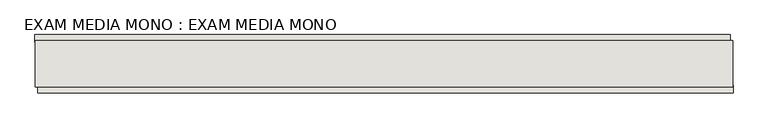
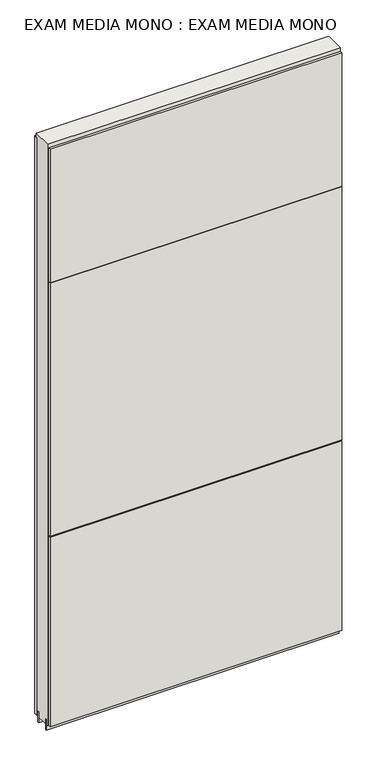
"""IFC4 building model written with IfcOpenShell, lengths in millimetres: wall geometry, EXAM MEDIA MONO : EXAM MEDIA MONO."""

import ifcopenshell
import ifcopenshell.guid

model = None  # the IFC model being written
_history = None  # IfcOwnerHistory: only IFC2X3 demands one
_inside = {}  # id of a spatial element -> (the spatial element, [elements in it])
_under = {}  # id of a project, library or spatial element -> (it, [spatial elements below it])
_declared = {}  # id of a project -> (the project, [libraries it declares])
_typed = {}  # id of a type object -> (the type object, [elements of that type])
_made_of = {}  # id of a material, layer set ... -> (it, [elements and type objects made of it])


def new_model(schema):
    """Start an empty IFC model of exactly this schema.

    Asked for "IFC4X3", IfcOpenShell would pick the latest addendum, in which some entities
    have other attributes; the version numbers below select the first issue.
    IFC2X3 requires an IfcOwnerHistory on every rooted entity: one is made here for all.
    """
    global model, _history
    if schema == "IFC4X3":
        model = ifcopenshell.file(schema_version=(4, 3, 0, 0))
    else:
        model = ifcopenshell.file(schema=schema)
    _inside.clear()
    _under.clear()
    _declared.clear()
    _typed.clear()
    _made_of.clear()
    _history = None
    if model.schema == "IFC2X3":
        org = make("IfcOrganization", Name="unknown")
        user = make(
            "IfcPersonAndOrganization",
            ThePerson=make("IfcPerson", FamilyName="unknown"),
            TheOrganization=org,
        )
        app = make(
            "IfcApplication",
            ApplicationDeveloper=org,
            Version="unknown",
            ApplicationFullName="unknown",
            ApplicationIdentifier="unknown",
        )
        _history = make(
            "IfcOwnerHistory",
            OwningUser=user,
            OwningApplication=app,
            ChangeAction="ADDED",
            CreationDate=0,
        )
    return model


def make(cls, **values):
    """One entity of the class cls with the attributes given. An attribute that is None is left unset."""
    return model.create_entity(
        cls, **{name: value for name, value in values.items() if value is not None}
    )


def rooted(cls, **values):
    """An entity with a GlobalId (a new one), such as an element, a storey or a relation."""
    return make(cls, GlobalId=ifcopenshell.guid.new(), OwnerHistory=_history, **values)


def si_unit(unit_type, name, prefix=None):
    """IfcSIUnit, for example si_unit("LENGTHUNIT", "METRE", prefix="MILLI")."""
    return make("IfcSIUnit", UnitType=unit_type, Prefix=prefix, Name=name)


def assignment(units):
    """IfcUnitAssignment: the units of a project."""
    return None if units is None else make("IfcUnitAssignment", Units=units)


def point(xyz):
    """IfcCartesianPoint."""
    return None if xyz is None else make("IfcCartesianPoint", Coordinates=xyz)


def direction(xyz):
    """IfcDirection."""
    return None if xyz is None else make("IfcDirection", DirectionRatios=xyz)


def frame(location, z_axis=None, x_axis=None):
    """IfcAxis2Placement3D, a coordinate frame: its origin and axes. An axis left out is left unset."""
    return make(
        "IfcAxis2Placement3D",
        Location=point(location),
        Axis=direction(z_axis),
        RefDirection=direction(x_axis),
    )


def origin():
    """The frame at (0, 0, 0) with its axes left unset."""
    return frame((0.0, 0.0, 0.0))


def place(relative_to, where):
    """IfcLocalPlacement: puts the frame where relative to a parent placement (None: the world)."""
    return make(
        "IfcLocalPlacement", PlacementRelTo=relative_to, RelativePlacement=where
    )


def context(
    kind, dimensions, precision=None, world=None, true_north=None, identifier=None
):
    """IfcGeometricRepresentationContext, for example the 3D "Model" context."""
    return make(
        "IfcGeometricRepresentationContext",
        ContextIdentifier=identifier,
        ContextType=kind,
        CoordinateSpaceDimension=dimensions,
        Precision=precision,
        WorldCoordinateSystem=world,
        TrueNorth=true_north,
    )


def project(units=None, contexts=None):
    """IfcProject with its units and contexts."""
    return rooted(
        "IfcProject",
        Name="project",
        RepresentationContexts=contexts,
        UnitsInContext=assignment(units),
    )


def spatial(cls, under=None, at=None, **own):
    """A site, building, storey or space (cls), placed at a placement, below another one or the project."""
    s = rooted(cls, ObjectPlacement=at, **own)
    if under is not None:
        _under.setdefault(under.id(), (under, []))[1].append(s)
    return s


def polyline(points):
    """IfcPolyline through the points."""
    return make("IfcPolyline", Points=[point(p) for p in points])


def outline(outer, holes=None, kind="AREA"):
    """IfcArbitraryClosedProfileDef: a profile drawn as a closed curve; with holes, ...WithVoids."""
    if holes is None:
        return make("IfcArbitraryClosedProfileDef", ProfileType=kind, OuterCurve=outer)
    return make(
        "IfcArbitraryProfileDefWithVoids",
        ProfileType=kind,
        OuterCurve=outer,
        InnerCurves=holes,
    )


def extrude(swept, where, along, depth):
    """IfcExtrudedAreaSolid: the profile swept, set in the frame where, extruded along a direction by depth."""
    return make(
        "IfcExtrudedAreaSolid",
        SweptArea=swept,
        Position=where,
        ExtrudedDirection=direction(along),
        Depth=depth,
    )


def shape(context_of_items, identifier, shape_type, items):
    """IfcShapeRepresentation: the items that make up one representation, for example the "Body"."""
    return make(
        "IfcShapeRepresentation",
        ContextOfItems=context_of_items,
        RepresentationIdentifier=identifier,
        RepresentationType=shape_type,
        Items=items,
    )


def source(mapping_origin, context_of_items, identifier, shape_type, items):
    """IfcRepresentationMap: a shape defined once, which mapped items show again and again."""
    return make(
        "IfcRepresentationMap",
        MappingOrigin=mapping_origin,
        MappedRepresentation=shape(context_of_items, identifier, shape_type, items),
    )


def transform(
    local_origin,
    x_axis=None,
    y_axis=None,
    z_axis=None,
    scale=None,
    scale2=None,
    scale3=None,
    uniform=True,
):
    """IfcCartesianTransformationOperator3D, or its non-uniform kind. x_axis, y_axis, z_axis: its Axis1, 2, 3."""
    if uniform:
        return make(
            "IfcCartesianTransformationOperator3D",
            Axis1=direction(x_axis),
            Axis2=direction(y_axis),
            LocalOrigin=point(local_origin),
            Scale=scale,
            Axis3=direction(z_axis),
        )
    return make(
        "IfcCartesianTransformationOperator3DnonUniform",
        Axis1=direction(x_axis),
        Axis2=direction(y_axis),
        LocalOrigin=point(local_origin),
        Scale=scale,
        Axis3=direction(z_axis),
        Scale2=scale2,
        Scale3=scale3,
    )


def mapped(mapping_source, mapping_target):
    """IfcMappedItem: shows the shape of a source again, moved by a transform."""
    return make(
        "IfcMappedItem", MappingSource=mapping_source, MappingTarget=mapping_target
    )


def made_of(thing, what):
    """Note that an element or type object is made of a material, layer set ...; save() writes the relation."""
    if what is not None:
        _made_of.setdefault(what.id(), (what, []))[1].append(thing)
    return thing


def element(
    cls,
    number,
    at=None,
    inside=None,
    cuts=None,
    type_object=None,
    material=None,
    context=None,
    identifier="Body",
    shape_type=None,
    held_by="IfcProductDefinitionShape",
    body=None,
    shapes=None,
    **own,
):
    """One element of the class cls, such as IfcWall. Its Tag is "e" and its number.

    at: its placement. inside: the storey or other place that contains it. cuts: it is an
    opening in that element (IfcRelVoidsElement). A single representation is given by context,
    identifier, shape_type and body (its items); several are given by shapes. held_by: the class
    of the entity that holds the representations. save() writes the other relations.
    """
    e = rooted(cls, Tag="e%d" % number, ObjectPlacement=at, **own)
    if body is not None:
        shapes = [shape(context, identifier, shape_type, body)]
    if shapes is not None:
        e.Representation = make(held_by, Representations=shapes)
    if inside is not None:
        _inside.setdefault(inside.id(), (inside, []))[1].append(e)
    if cuts is not None:
        rooted(
            "IfcRelVoidsElement", RelatingBuildingElement=cuts, RelatedOpeningElement=e
        )
    if type_object is not None:
        _typed.setdefault(type_object.id(), (type_object, []))[1].append(e)
    return made_of(e, material)


def aggregate(whole, parts):
    """IfcRelAggregates: a whole, such as a stair, and the parts it consists of."""
    return rooted("IfcRelAggregates", RelatingObject=whole, RelatedObjects=parts)


def save(model, path):
    """Write the relations noted so far, then the file.

    IfcRelAggregates (storeys below a building ...), IfcRelContainedInSpatialStructure (elements
    in a storey), IfcRelDefinesByType, IfcRelAssociatesMaterial and IfcRelDeclares: one each for
    every whole, place, type object, material and project.
    """
    for whole, parts in _under.values():
        aggregate(whole, parts)
    for where, things in _inside.values():
        rooted(
            "IfcRelContainedInSpatialStructure",
            RelatedElements=things,
            RelatingStructure=where,
        )
    for kind, things in _typed.values():
        rooted("IfcRelDefinesByType", RelatedObjects=things, RelatingType=kind)
    for what, things in _made_of.values():
        rooted("IfcRelAssociatesMaterial", RelatedObjects=things, RelatingMaterial=what)
    for by, libraries in _declared.values():
        rooted("IfcRelDeclares", RelatingContext=by, RelatedDefinitions=libraries)
    model.write(path)


def exam_media_mono_exam_media_mono_a8b68d2c(model_context):
    return source(origin(), model_context, "Body", "SweptSolid", [
        extrude(outline(polyline([(80820.9818172, -47723.144711), (80818.4418172, -47723.144711), (80818.4418172, -47720.604711), (80820.9818172, -47720.604711), (80820.9818172, -47723.144711)])), frame((0.0, 0.0, 4419.6), z_axis=(0.0, 0.0, 1.0), x_axis=(1.0, 0.0, 0.0)), (0.0, 0.0, 1.0), 2.54),
        extrude(outline(polyline([(79601.3211882, -47671.074711), (80816.5211962, -47671.074711), (80816.5211962, -47683.774711), (79601.3211882, -47683.774711), (79601.3211882, -47671.074711)])), frame((0.0, 0.0, 4445.0), z_axis=(0.0, 0.0, 1.0), x_axis=(1.0, 0.0, 0.0)), (0.0, 0.0, 1.0), 2545.0498756),
        extrude(outline(polyline([(80821.4449354, -47772.674711), (79606.2449274, -47772.674711), (79606.2449274, -47759.974711), (80821.4449354, -47759.974711), (80821.4449354, -47772.674711)])), frame((0.0, 0.0, 6402.8000722), z_axis=(0.0, 0.0, 1.0), x_axis=(1.0, 0.0, 0.0)), (0.0, 0.0, 1.0), 587.2498034),
        extrude(outline(polyline([(80821.4449354, -47772.674711), (79606.2449274, -47772.674711), (79606.2449274, -47759.974711), (80821.4449354, -47759.974711), (80821.4449354, -47772.674711)])), frame((0.0, 0.0, 5285.2000722), z_axis=(0.0, 0.0, 1.0), x_axis=(1.0, 0.0, 0.0)), (0.0, 0.0, 1.0), 1113.5999572),
        extrude(outline(polyline([(80821.4449354, -47772.674711), (79606.2449274, -47772.674711), (79606.2449274, -47759.974711), (80821.4449354, -47759.974711), (80821.4449354, -47772.674711)])), frame((0.0, 0.0, 4445.0), z_axis=(0.0, 0.0, 1.0), x_axis=(1.0, 0.0, 0.0)), (0.0, 0.0, 1.0), 836.200004),
        extrude(outline(polyline([(80820.9706666, -47696.78167), (79601.7706666, -47696.78167), (79601.7706666, -47691.6998158), (80820.9706666, -47691.6998158), (80820.9706666, -47696.78167)])), frame((0.0, 0.0, 4418.6602), z_axis=(0.0, 0.0, 1.0), x_axis=(1.0, 0.0, 0.0)), (0.0, 0.0, 1.0), 47.625),
        extrude(outline(polyline([(80820.9706666, -47696.78167), (79601.7706666, -47696.78167), (79601.7706666, -47691.6998158), (80820.9706666, -47691.6998158), (80820.9706666, -47696.78167)])), frame((0.0, 0.0, 4418.6602), z_axis=(0.0, 0.0, 1.0), x_axis=(1.0, 0.0, 0.0)), (0.0, 0.0, 1.0), 47.625),
        extrude(outline(polyline([(79601.7706666, -47746.9708508), (80820.9706666, -47746.9708508), (80820.9706666, -47752.0248158), (79601.7706666, -47752.0248158), (79601.7706666, -47746.9708508)])), frame((0.0, 0.0, 4418.6602), z_axis=(0.0, 0.0, 1.0), x_axis=(1.0, 0.0, 0.0)), (0.0, 0.0, 1.0), 47.625),
        extrude(outline(polyline([(79601.7706666, -47746.9708508), (80820.9706666, -47746.9708508), (80820.9706666, -47752.0248158), (79601.7706666, -47752.0248158), (79601.7706666, -47746.9708508)])), frame((0.0, 0.0, 4418.6602), z_axis=(0.0, 0.0, 1.0), x_axis=(1.0, 0.0, 0.0)), (0.0, 0.0, 1.0), 47.625),
        extrude(outline(polyline([(80820.9706666, -47681.2353206), (80820.9706666, -47762.514076), (79601.7706666, -47762.514076), (79601.7706666, -47681.2353206), (80820.9706666, -47681.2353206)])), frame((0.0, 0.0, 4445.0), z_axis=(0.0, 0.0, 1.0), x_axis=(1.0, 0.0, 0.0)), (0.0, 0.0, 1.0), 2562.4536762),
    ])


if __name__ == "__main__":
    model = new_model("IFC4")
    model_context = context("Model", 3, world=origin())
    ifc_project = project(units=[si_unit("LENGTHUNIT", "METRE", prefix="MILLI")], contexts=[model_context])
    site = spatial("IfcSite", under=ifc_project)
    building = spatial("IfcBuilding", under=site)
    placement = place(None, origin())
    exam_media_mono_exam_media_mono_shape = exam_media_mono_exam_media_mono_a8b68d2c(model_context)
    element("IfcWall", 1, ObjectType="EXAM MEDIA MONO : EXAM MEDIA MONO", at=placement, inside=building, context=model_context, shape_type="MappedRepresentation", body=[
        mapped(exam_media_mono_exam_media_mono_shape, transform((0.0, 0.0, 0.0), x_axis=(1.0, 0.0, 0.0), y_axis=(0.0, 1.0, 0.0), z_axis=(0.0, 0.0, 1.0))),
    ])
    save(model, "model.ifc")
